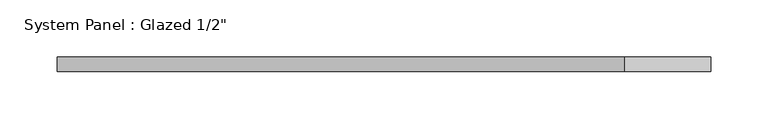
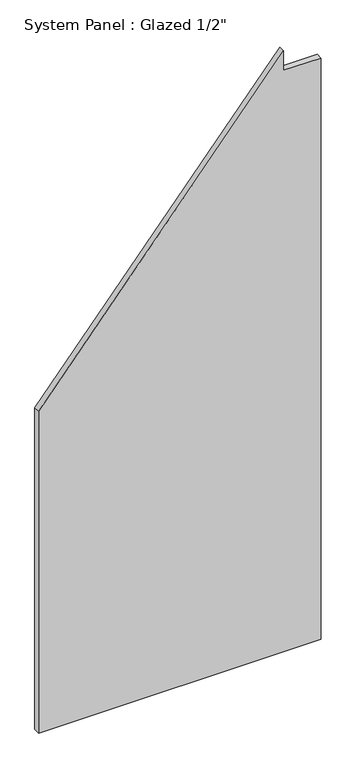
"""IFC4 building model written with IfcOpenShell, lengths in millimetres: plate geometry."""

from ifc_helpers import new_model, si_unit, frame, origin, place, context, project, spatial, polyline, outline, extrude, source, transform, mapped, element, save


def plate_cca27943(model_context):
    return source(origin(), model_context, "Body", "SweptSolid", [
        extrude(outline(polyline([(0.0, -285.56239), (0.0, 285.56239), (1241.5880352, 285.56239), (1241.5880352, 210.1128301), (1283.2028492, 210.1128301), (687.4753752, -285.56239), (0.0, -285.56239)])), frame((0.0, -6.35, 0.0), z_axis=(0.0, 1.0, 0.0), x_axis=(0.0, 0.0, 1.0)), (0.0, 0.0, 1.0), 12.7),
    ])


if __name__ == "__main__":
    model = new_model("IFC4")
    model_context = context("Model", 3, world=origin())
    ifc_project = project(units=[si_unit("LENGTHUNIT", "METRE", prefix="MILLI")], contexts=[model_context])
    site = spatial("IfcSite", under=ifc_project)
    building = spatial("IfcBuilding", under=site)
    placement = place(None, origin())
    plate_shape = plate_cca27943(model_context)
    element("IfcPlate", 1, ObjectType="System Panel : Glazed 1/2\"", at=placement, inside=building, context=model_context, shape_type="MappedRepresentation", body=[
        mapped(plate_shape, transform((0.0, 0.0, 0.0), x_axis=(1.0, 0.0, 0.0), y_axis=(0.0, 1.0, 0.0), z_axis=(0.0, 0.0, 1.0))),
    ])
    save(model, "model.ifc")
